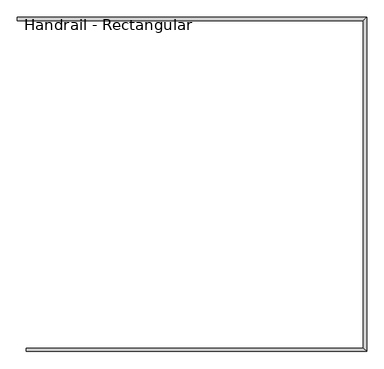
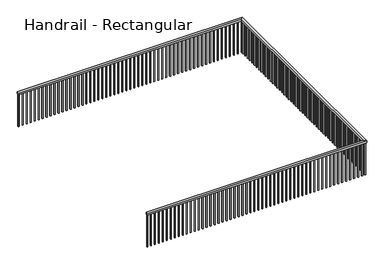
"""IFC4 building model written with IfcOpenShell, lengths in millimetres: railing geometry, Handrail - Rectangular."""

from ifc_helpers import new_model, si_unit, frame, origin, place, context, project, spatial, polyline, outline, extrude, faceted_brep, source, transform, mapped, element, save


def handrail_rectangular_2f56e23b(model_context):
    return source(origin(), model_context, "Body", "SolidModel", [
        faceted_brep([(-2284.5198603, -9771.9743774, 3911.6), (-2284.5198603, -9721.1743774, 3911.6), (-2284.5198603, -9721.1743774, 3860.8), (-2284.5198603, -9771.9743774, 3860.8), (3303.930334, -9771.9743774, 3911.6), (3253.130334, -9721.1743774, 3911.6), (3253.130334, -9721.1743774, 3860.8), (3303.930334, -9771.9743774, 3860.8), (3303.930334, -4281.2498715, 3911.6), (3253.130334, -4332.0498715, 3911.6), (3253.130334, -4332.0498715, 3860.8), (3303.930334, -4281.2498715, 3860.8), (-2427.3948603, -4281.2498715, 3911.6), (-2427.3948603, -4281.2498715, 3860.8), (-2427.3948603, -4332.0498715, 3860.8), (-2427.3948603, -4332.0498715, 3911.6)], [[[0, 1, 2, 3]], [[1, 0, 4, 5]], [[2, 1, 5, 6]], [[3, 2, 6, 7]], [[0, 3, 7, 4]], [[5, 4, 8, 9]], [[6, 5, 9, 10]], [[7, 6, 10, 11]], [[4, 7, 11, 8]], [[12, 13, 14, 15]], [[9, 8, 12, 15]], [[10, 9, 15, 14]], [[11, 10, 14, 13]], [[8, 11, 13, 12]]]),
        extrude(outline(polyline([(-2401.544666, -4297.1248715), (-2401.544666, -4316.1748715), (-2420.594666, -4316.1748715), (-2420.594666, -4297.1248715), (-2401.544666, -4297.1248715)])), frame((0.0, 0.0, 2997.2), z_axis=(0.0, 0.0, 1.0), x_axis=(1.0, 0.0, 0.0)), (0.0, 0.0, 1.0), 863.6),
        extrude(outline(polyline([(-2299.944666, -4297.1248715), (-2299.944666, -4316.1748715), (-2318.994666, -4316.1748715), (-2318.994666, -4297.1248715), (-2299.944666, -4297.1248715)])), frame((0.0, 0.0, 2997.2), z_axis=(0.0, 0.0, 1.0), x_axis=(1.0, 0.0, 0.0)), (0.0, 0.0, 1.0), 863.6),
        extrude(outline(polyline([(-2198.344666, -4297.1248715), (-2198.344666, -4316.1748715), (-2217.394666, -4316.1748715), (-2217.394666, -4297.1248715), (-2198.344666, -4297.1248715)])), frame((0.0, 0.0, 2997.2), z_axis=(0.0, 0.0, 1.0), x_axis=(1.0, 0.0, 0.0)), (0.0, 0.0, 1.0), 863.6),
        extrude(outline(polyline([(-2096.744666, -4297.1248715), (-2096.744666, -4316.1748715), (-2115.794666, -4316.1748715), (-2115.794666, -4297.1248715), (-2096.744666, -4297.1248715)])), frame((0.0, 0.0, 2997.2), z_axis=(0.0, 0.0, 1.0), x_axis=(1.0, 0.0, 0.0)), (0.0, 0.0, 1.0), 863.6),
        extrude(outline(polyline([(-1995.144666, -4297.1248715), (-1995.144666, -4316.1748715), (-2014.194666, -4316.1748715), (-2014.194666, -4297.1248715), (-1995.144666, -4297.1248715)])), frame((0.0, 0.0, 2997.2), z_axis=(0.0, 0.0, 1.0), x_axis=(1.0, 0.0, 0.0)), (0.0, 0.0, 1.0), 863.6),
        extrude(outline(polyline([(-1893.544666, -4297.1248715), (-1893.544666, -4316.1748715), (-1912.594666, -4316.1748715), (-1912.594666, -4297.1248715), (-1893.544666, -4297.1248715)])), frame((0.0, 0.0, 2997.2), z_axis=(0.0, 0.0, 1.0), x_axis=(1.0, 0.0, 0.0)), (0.0, 0.0, 1.0), 863.6),
        extrude(outline(polyline([(-1791.944666, -4297.1248715), (-1791.944666, -4316.1748715), (-1810.994666, -4316.1748715), (-1810.994666, -4297.1248715), (-1791.944666, -4297.1248715)])), frame((0.0, 0.0, 2997.2), z_axis=(0.0, 0.0, 1.0), x_axis=(1.0, 0.0, 0.0)), (0.0, 0.0, 1.0), 863.6),
        extrude(outline(polyline([(-1690.344666, -4297.1248715), (-1690.344666, -4316.1748715), (-1709.394666, -4316.1748715), (-1709.394666, -4297.1248715), (-1690.344666, -4297.1248715)])), frame((0.0, 0.0, 2997.2), z_axis=(0.0, 0.0, 1.0), x_axis=(1.0, 0.0, 0.0)), (0.0, 0.0, 1.0), 863.6),
        extrude(outline(polyline([(-1588.744666, -4297.1248715), (-1588.744666, -4316.1748715), (-1607.794666, -4316.1748715), (-1607.794666, -4297.1248715), (-1588.744666, -4297.1248715)])), frame((0.0, 0.0, 2997.2), z_axis=(0.0, 0.0, 1.0), x_axis=(1.0, 0.0, 0.0)), (0.0, 0.0, 1.0), 863.6),
        extrude(outline(polyline([(-1487.144666, -4297.1248715), (-1487.144666, -4316.1748715), (-1506.194666, -4316.1748715), (-1506.194666, -4297.1248715), (-1487.144666, -4297.1248715)])), frame((0.0, 0.0, 2997.2), z_axis=(0.0, 0.0, 1.0), x_axis=(1.0, 0.0, 0.0)), (0.0, 0.0, 1.0), 863.6),
        extrude(outline(polyline([(-1385.544666, -4297.1248715), (-1385.544666, -4316.1748715), (-1404.594666, -4316.1748715), (-1404.594666, -4297.1248715), (-1385.544666, -4297.1248715)])), frame((0.0, 0.0, 2997.2), z_axis=(0.0, 0.0, 1.0), x_axis=(1.0, 0.0, 0.0)), (0.0, 0.0, 1.0), 863.6),
        extrude(outline(polyline([(-1283.944666, -4297.1248715), (-1283.944666, -4316.1748715), (-1302.994666, -4316.1748715), (-1302.994666, -4297.1248715), (-1283.944666, -4297.1248715)])), frame((0.0, 0.0, 2997.2), z_axis=(0.0, 0.0, 1.0), x_axis=(1.0, 0.0, 0.0)), (0.0, 0.0, 1.0), 863.6),
        extrude(outline(polyline([(-1182.344666, -4297.1248715), (-1182.344666, -4316.1748715), (-1201.394666, -4316.1748715), (-1201.394666, -4297.1248715), (-1182.344666, -4297.1248715)])), frame((0.0, 0.0, 2997.2), z_axis=(0.0, 0.0, 1.0), x_axis=(1.0, 0.0, 0.0)), (0.0, 0.0, 1.0), 863.6),
        extrude(outline(polyline([(-1080.744666, -4297.1248715), (-1080.744666, -4316.1748715), (-1099.794666, -4316.1748715), (-1099.794666, -4297.1248715), (-1080.744666, -4297.1248715)])), frame((0.0, 0.0, 2997.2), z_axis=(0.0, 0.0, 1.0), x_axis=(1.0, 0.0, 0.0)), (0.0, 0.0, 1.0), 863.6),
        extrude(outline(polyline([(-979.144666, -4297.1248715), (-979.144666, -4316.1748715), (-998.194666, -4316.1748715), (-998.194666, -4297.1248715), (-979.144666, -4297.1248715)])), frame((0.0, 0.0, 2997.2), z_axis=(0.0, 0.0, 1.0), x_axis=(1.0, 0.0, 0.0)), (0.0, 0.0, 1.0), 863.6),
        extrude(outline(polyline([(-877.544666, -4297.1248715), (-877.544666, -4316.1748715), (-896.594666, -4316.1748715), (-896.594666, -4297.1248715), (-877.544666, -4297.1248715)])), frame((0.0, 0.0, 2997.2), z_axis=(0.0, 0.0, 1.0), x_axis=(1.0, 0.0, 0.0)), (0.0, 0.0, 1.0), 863.6),
        extrude(outline(polyline([(-775.944666, -4297.1248715), (-775.944666, -4316.1748715), (-794.994666, -4316.1748715), (-794.994666, -4297.1248715), (-775.944666, -4297.1248715)])), frame((0.0, 0.0, 2997.2), z_axis=(0.0, 0.0, 1.0), x_axis=(1.0, 0.0, 0.0)), (0.0, 0.0, 1.0), 863.6),
        extrude(outline(polyline([(-674.344666, -4297.1248715), (-674.344666, -4316.1748715), (-693.394666, -4316.1748715), (-693.394666, -4297.1248715), (-674.344666, -4297.1248715)])), frame((0.0, 0.0, 2997.2), z_axis=(0.0, 0.0, 1.0), x_axis=(1.0, 0.0, 0.0)), (0.0, 0.0, 1.0), 863.6),
        extrude(outline(polyline([(-572.744666, -4297.1248715), (-572.744666, -4316.1748715), (-591.794666, -4316.1748715), (-591.794666, -4297.1248715), (-572.744666, -4297.1248715)])), frame((0.0, 0.0, 2997.2), z_axis=(0.0, 0.0, 1.0), x_axis=(1.0, 0.0, 0.0)), (0.0, 0.0, 1.0), 863.6),
        extrude(outline(polyline([(-471.144666, -4297.1248715), (-471.144666, -4316.1748715), (-490.194666, -4316.1748715), (-490.194666, -4297.1248715), (-471.144666, -4297.1248715)])), frame((0.0, 0.0, 2997.2), z_axis=(0.0, 0.0, 1.0), x_axis=(1.0, 0.0, 0.0)), (0.0, 0.0, 1.0), 863.6),
        extrude(outline(polyline([(-369.544666, -4297.1248715), (-369.544666, -4316.1748715), (-388.594666, -4316.1748715), (-388.594666, -4297.1248715), (-369.544666, -4297.1248715)])), frame((0.0, 0.0, 2997.2), z_axis=(0.0, 0.0, 1.0), x_axis=(1.0, 0.0, 0.0)), (0.0, 0.0, 1.0), 863.6),
        extrude(outline(polyline([(-267.944666, -4297.1248715), (-267.944666, -4316.1748715), (-286.994666, -4316.1748715), (-286.994666, -4297.1248715), (-267.944666, -4297.1248715)])), frame((0.0, 0.0, 2997.2), z_axis=(0.0, 0.0, 1.0), x_axis=(1.0, 0.0, 0.0)), (0.0, 0.0, 1.0), 863.6),
        extrude(outline(polyline([(-166.344666, -4297.1248715), (-166.344666, -4316.1748715), (-185.394666, -4316.1748715), (-185.394666, -4297.1248715), (-166.344666, -4297.1248715)])), frame((0.0, 0.0, 2997.2), z_axis=(0.0, 0.0, 1.0), x_axis=(1.0, 0.0, 0.0)), (0.0, 0.0, 1.0), 863.6),
        extrude(outline(polyline([(-64.744666, -4297.1248715), (-64.744666, -4316.1748715), (-83.794666, -4316.1748715), (-83.794666, -4297.1248715), (-64.744666, -4297.1248715)])), frame((0.0, 0.0, 2997.2), z_axis=(0.0, 0.0, 1.0), x_axis=(1.0, 0.0, 0.0)), (0.0, 0.0, 1.0), 863.6),
        extrude(outline(polyline([(36.855334, -4297.1248715), (36.855334, -4316.1748715), (17.805334, -4316.1748715), (17.805334, -4297.1248715), (36.855334, -4297.1248715)])), frame((0.0, 0.0, 2997.2), z_axis=(0.0, 0.0, 1.0), x_axis=(1.0, 0.0, 0.0)), (0.0, 0.0, 1.0), 863.6),
        extrude(outline(polyline([(138.455334, -4297.1248715), (138.455334, -4316.1748715), (119.405334, -4316.1748715), (119.405334, -4297.1248715), (138.455334, -4297.1248715)])), frame((0.0, 0.0, 2997.2), z_axis=(0.0, 0.0, 1.0), x_axis=(1.0, 0.0, 0.0)), (0.0, 0.0, 1.0), 863.6),
        extrude(outline(polyline([(240.055334, -4297.1248715), (240.055334, -4316.1748715), (221.005334, -4316.1748715), (221.005334, -4297.1248715), (240.055334, -4297.1248715)])), frame((0.0, 0.0, 2997.2), z_axis=(0.0, 0.0, 1.0), x_axis=(1.0, 0.0, 0.0)), (0.0, 0.0, 1.0), 863.6),
        extrude(outline(polyline([(341.655334, -4297.1248715), (341.655334, -4316.1748715), (322.605334, -4316.1748715), (322.605334, -4297.1248715), (341.655334, -4297.1248715)])), frame((0.0, 0.0, 2997.2), z_axis=(0.0, 0.0, 1.0), x_axis=(1.0, 0.0, 0.0)), (0.0, 0.0, 1.0), 863.6),
        extrude(outline(polyline([(443.255334, -4297.1248715), (443.255334, -4316.1748715), (424.205334, -4316.1748715), (424.205334, -4297.1248715), (443.255334, -4297.1248715)])), frame((0.0, 0.0, 2997.2), z_axis=(0.0, 0.0, 1.0), x_axis=(1.0, 0.0, 0.0)), (0.0, 0.0, 1.0), 863.6),
        extrude(outline(polyline([(544.855334, -4297.1248715), (544.855334, -4316.1748715), (525.805334, -4316.1748715), (525.805334, -4297.1248715), (544.855334, -4297.1248715)])), frame((0.0, 0.0, 2997.2), z_axis=(0.0, 0.0, 1.0), x_axis=(1.0, 0.0, 0.0)), (0.0, 0.0, 1.0), 863.6),
        extrude(outline(polyline([(646.455334, -4297.1248715), (646.455334, -4316.1748715), (627.405334, -4316.1748715), (627.405334, -4297.1248715), (646.455334, -4297.1248715)])), frame((0.0, 0.0, 2997.2), z_axis=(0.0, 0.0, 1.0), x_axis=(1.0, 0.0, 0.0)), (0.0, 0.0, 1.0), 863.6),
        extrude(outline(polyline([(748.055334, -4297.1248715), (748.055334, -4316.1748715), (729.005334, -4316.1748715), (729.005334, -4297.1248715), (748.055334, -4297.1248715)])), frame((0.0, 0.0, 2997.2), z_axis=(0.0, 0.0, 1.0), x_axis=(1.0, 0.0, 0.0)), (0.0, 0.0, 1.0), 863.6),
        extrude(outline(polyline([(849.655334, -4297.1248715), (849.655334, -4316.1748715), (830.605334, -4316.1748715), (830.605334, -4297.1248715), (849.655334, -4297.1248715)])), frame((0.0, 0.0, 2997.2), z_axis=(0.0, 0.0, 1.0), x_axis=(1.0, 0.0, 0.0)), (0.0, 0.0, 1.0), 863.6),
        extrude(outline(polyline([(951.255334, -4297.1248715), (951.255334, -4316.1748715), (932.205334, -4316.1748715), (932.205334, -4297.1248715), (951.255334, -4297.1248715)])), frame((0.0, 0.0, 2997.2), z_axis=(0.0, 0.0, 1.0), x_axis=(1.0, 0.0, 0.0)), (0.0, 0.0, 1.0), 863.6),
        extrude(outline(polyline([(1052.855334, -4297.1248715), (1052.855334, -4316.1748715), (1033.805334, -4316.1748715), (1033.805334, -4297.1248715), (1052.855334, -4297.1248715)])), frame((0.0, 0.0, 2997.2), z_axis=(0.0, 0.0, 1.0), x_axis=(1.0, 0.0, 0.0)), (0.0, 0.0, 1.0), 863.6),
        extrude(outline(polyline([(1154.455334, -4297.1248715), (1154.455334, -4316.1748715), (1135.405334, -4316.1748715), (1135.405334, -4297.1248715), (1154.455334, -4297.1248715)])), frame((0.0, 0.0, 2997.2), z_axis=(0.0, 0.0, 1.0), x_axis=(1.0, 0.0, 0.0)), (0.0, 0.0, 1.0), 863.6),
        extrude(outline(polyline([(1256.055334, -4297.1248715), (1256.055334, -4316.1748715), (1237.005334, -4316.1748715), (1237.005334, -4297.1248715), (1256.055334, -4297.1248715)])), frame((0.0, 0.0, 2997.2), z_axis=(0.0, 0.0, 1.0), x_axis=(1.0, 0.0, 0.0)), (0.0, 0.0, 1.0), 863.6),
        extrude(outline(polyline([(1357.655334, -4297.1248715), (1357.655334, -4316.1748715), (1338.605334, -4316.1748715), (1338.605334, -4297.1248715), (1357.655334, -4297.1248715)])), frame((0.0, 0.0, 2997.2), z_axis=(0.0, 0.0, 1.0), x_axis=(1.0, 0.0, 0.0)), (0.0, 0.0, 1.0), 863.6),
        extrude(outline(polyline([(1459.255334, -4297.1248715), (1459.255334, -4316.1748715), (1440.205334, -4316.1748715), (1440.205334, -4297.1248715), (1459.255334, -4297.1248715)])), frame((0.0, 0.0, 2997.2), z_axis=(0.0, 0.0, 1.0), x_axis=(1.0, 0.0, 0.0)), (0.0, 0.0, 1.0), 863.6),
        extrude(outline(polyline([(1560.855334, -4297.1248715), (1560.855334, -4316.1748715), (1541.805334, -4316.1748715), (1541.805334, -4297.1248715), (1560.855334, -4297.1248715)])), frame((0.0, 0.0, 2997.2), z_axis=(0.0, 0.0, 1.0), x_axis=(1.0, 0.0, 0.0)), (0.0, 0.0, 1.0), 863.6),
        extrude(outline(polyline([(1662.455334, -4297.1248715), (1662.455334, -4316.1748715), (1643.405334, -4316.1748715), (1643.405334, -4297.1248715), (1662.455334, -4297.1248715)])), frame((0.0, 0.0, 2997.2), z_axis=(0.0, 0.0, 1.0), x_axis=(1.0, 0.0, 0.0)), (0.0, 0.0, 1.0), 863.6),
        extrude(outline(polyline([(1764.055334, -4297.1248715), (1764.055334, -4316.1748715), (1745.005334, -4316.1748715), (1745.005334, -4297.1248715), (1764.055334, -4297.1248715)])), frame((0.0, 0.0, 2997.2), z_axis=(0.0, 0.0, 1.0), x_axis=(1.0, 0.0, 0.0)), (0.0, 0.0, 1.0), 863.6),
        extrude(outline(polyline([(1865.655334, -4297.1248715), (1865.655334, -4316.1748715), (1846.605334, -4316.1748715), (1846.605334, -4297.1248715), (1865.655334, -4297.1248715)])), frame((0.0, 0.0, 2997.2), z_axis=(0.0, 0.0, 1.0), x_axis=(1.0, 0.0, 0.0)), (0.0, 0.0, 1.0), 863.6),
        extrude(outline(polyline([(1967.255334, -4297.1248715), (1967.255334, -4316.1748715), (1948.205334, -4316.1748715), (1948.205334, -4297.1248715), (1967.255334, -4297.1248715)])), frame((0.0, 0.0, 2997.2), z_axis=(0.0, 0.0, 1.0), x_axis=(1.0, 0.0, 0.0)), (0.0, 0.0, 1.0), 863.6),
        extrude(outline(polyline([(2068.855334, -4297.1248715), (2068.855334, -4316.1748715), (2049.805334, -4316.1748715), (2049.805334, -4297.1248715), (2068.855334, -4297.1248715)])), frame((0.0, 0.0, 2997.2), z_axis=(0.0, 0.0, 1.0), x_axis=(1.0, 0.0, 0.0)), (0.0, 0.0, 1.0), 863.6),
        extrude(outline(polyline([(2170.455334, -4297.1248715), (2170.455334, -4316.1748715), (2151.405334, -4316.1748715), (2151.405334, -4297.1248715), (2170.455334, -4297.1248715)])), frame((0.0, 0.0, 2997.2), z_axis=(0.0, 0.0, 1.0), x_axis=(1.0, 0.0, 0.0)), (0.0, 0.0, 1.0), 863.6),
        extrude(outline(polyline([(2272.055334, -4297.1248715), (2272.055334, -4316.1748715), (2253.005334, -4316.1748715), (2253.005334, -4297.1248715), (2272.055334, -4297.1248715)])), frame((0.0, 0.0, 2997.2), z_axis=(0.0, 0.0, 1.0), x_axis=(1.0, 0.0, 0.0)), (0.0, 0.0, 1.0), 863.6),
        extrude(outline(polyline([(2373.655334, -4297.1248715), (2373.655334, -4316.1748715), (2354.605334, -4316.1748715), (2354.605334, -4297.1248715), (2373.655334, -4297.1248715)])), frame((0.0, 0.0, 2997.2), z_axis=(0.0, 0.0, 1.0), x_axis=(1.0, 0.0, 0.0)), (0.0, 0.0, 1.0), 863.6),
        extrude(outline(polyline([(2475.255334, -4297.1248715), (2475.255334, -4316.1748715), (2456.205334, -4316.1748715), (2456.205334, -4297.1248715), (2475.255334, -4297.1248715)])), frame((0.0, 0.0, 2997.2), z_axis=(0.0, 0.0, 1.0), x_axis=(1.0, 0.0, 0.0)), (0.0, 0.0, 1.0), 863.6),
        extrude(outline(polyline([(2576.855334, -4297.1248715), (2576.855334, -4316.1748715), (2557.805334, -4316.1748715), (2557.805334, -4297.1248715), (2576.855334, -4297.1248715)])), frame((0.0, 0.0, 2997.2), z_axis=(0.0, 0.0, 1.0), x_axis=(1.0, 0.0, 0.0)), (0.0, 0.0, 1.0), 863.6),
        extrude(outline(polyline([(2678.455334, -4297.1248715), (2678.455334, -4316.1748715), (2659.405334, -4316.1748715), (2659.405334, -4297.1248715), (2678.455334, -4297.1248715)])), frame((0.0, 0.0, 2997.2), z_axis=(0.0, 0.0, 1.0), x_axis=(1.0, 0.0, 0.0)), (0.0, 0.0, 1.0), 863.6),
        extrude(outline(polyline([(2780.055334, -4297.1248715), (2780.055334, -4316.1748715), (2761.005334, -4316.1748715), (2761.005334, -4297.1248715), (2780.055334, -4297.1248715)])), frame((0.0, 0.0, 2997.2), z_axis=(0.0, 0.0, 1.0), x_axis=(1.0, 0.0, 0.0)), (0.0, 0.0, 1.0), 863.6),
        extrude(outline(polyline([(2881.655334, -4297.1248715), (2881.655334, -4316.1748715), (2862.605334, -4316.1748715), (2862.605334, -4297.1248715), (2881.655334, -4297.1248715)])), frame((0.0, 0.0, 2997.2), z_axis=(0.0, 0.0, 1.0), x_axis=(1.0, 0.0, 0.0)), (0.0, 0.0, 1.0), 863.6),
        extrude(outline(polyline([(2983.255334, -4297.1248715), (2983.255334, -4316.1748715), (2964.205334, -4316.1748715), (2964.205334, -4297.1248715), (2983.255334, -4297.1248715)])), frame((0.0, 0.0, 2997.2), z_axis=(0.0, 0.0, 1.0), x_axis=(1.0, 0.0, 0.0)), (0.0, 0.0, 1.0), 863.6),
        extrude(outline(polyline([(3084.855334, -4297.1248715), (3084.855334, -4316.1748715), (3065.805334, -4316.1748715), (3065.805334, -4297.1248715), (3084.855334, -4297.1248715)])), frame((0.0, 0.0, 2997.2), z_axis=(0.0, 0.0, 1.0), x_axis=(1.0, 0.0, 0.0)), (0.0, 0.0, 1.0), 863.6),
        extrude(outline(polyline([(3186.455334, -4297.1248715), (3186.455334, -4316.1748715), (3167.405334, -4316.1748715), (3167.405334, -4297.1248715), (3186.455334, -4297.1248715)])), frame((0.0, 0.0, 2997.2), z_axis=(0.0, 0.0, 1.0), x_axis=(1.0, 0.0, 0.0)), (0.0, 0.0, 1.0), 863.6),
        extrude(outline(polyline([(3288.055334, -4371.2993774), (3269.005334, -4371.2993774), (3269.005334, -4352.2493774), (3288.055334, -4352.2493774), (3288.055334, -4371.2993774)])), frame((0.0, 0.0, 2997.2), z_axis=(0.0, 0.0, 1.0), x_axis=(1.0, 0.0, 0.0)), (0.0, 0.0, 1.0), 863.6),
        extrude(outline(polyline([(3288.055334, -4472.8993774), (3269.005334, -4472.8993774), (3269.005334, -4453.8493774), (3288.055334, -4453.8493774), (3288.055334, -4472.8993774)])), frame((0.0, 0.0, 2997.2), z_axis=(0.0, 0.0, 1.0), x_axis=(1.0, 0.0, 0.0)), (0.0, 0.0, 1.0), 863.6),
        extrude(outline(polyline([(3288.055334, -4574.4993774), (3269.005334, -4574.4993774), (3269.005334, -4555.4493774), (3288.055334, -4555.4493774), (3288.055334, -4574.4993774)])), frame((0.0, 0.0, 2997.2), z_axis=(0.0, 0.0, 1.0), x_axis=(1.0, 0.0, 0.0)), (0.0, 0.0, 1.0), 863.6),
        extrude(outline(polyline([(3288.055334, -4676.0993774), (3269.005334, -4676.0993774), (3269.005334, -4657.0493774), (3288.055334, -4657.0493774), (3288.055334, -4676.0993774)])), frame((0.0, 0.0, 2997.2), z_axis=(0.0, 0.0, 1.0), x_axis=(1.0, 0.0, 0.0)), (0.0, 0.0, 1.0), 863.6),
        extrude(outline(polyline([(3288.055334, -4777.6993774), (3269.005334, -4777.6993774), (3269.005334, -4758.6493774), (3288.055334, -4758.6493774), (3288.055334, -4777.6993774)])), frame((0.0, 0.0, 2997.2), z_axis=(0.0, 0.0, 1.0), x_axis=(1.0, 0.0, 0.0)), (0.0, 0.0, 1.0), 863.6),
        extrude(outline(polyline([(3288.055334, -4879.2993774), (3269.005334, -4879.2993774), (3269.005334, -4860.2493774), (3288.055334, -4860.2493774), (3288.055334, -4879.2993774)])), frame((0.0, 0.0, 2997.2), z_axis=(0.0, 0.0, 1.0), x_axis=(1.0, 0.0, 0.0)), (0.0, 0.0, 1.0), 863.6),
        extrude(outline(polyline([(3288.055334, -4980.8993774), (3269.005334, -4980.8993774), (3269.005334, -4961.8493774), (3288.055334, -4961.8493774), (3288.055334, -4980.8993774)])), frame((0.0, 0.0, 2997.2), z_axis=(0.0, 0.0, 1.0), x_axis=(1.0, 0.0, 0.0)), (0.0, 0.0, 1.0), 863.6),
        extrude(outline(polyline([(3288.055334, -5082.4993774), (3269.005334, -5082.4993774), (3269.005334, -5063.4493774), (3288.055334, -5063.4493774), (3288.055334, -5082.4993774)])), frame((0.0, 0.0, 2997.2), z_axis=(0.0, 0.0, 1.0), x_axis=(1.0, 0.0, 0.0)), (0.0, 0.0, 1.0), 863.6),
        extrude(outline(polyline([(3288.055334, -5184.0993774), (3269.005334, -5184.0993774), (3269.005334, -5165.0493774), (3288.055334, -5165.0493774), (3288.055334, -5184.0993774)])), frame((0.0, 0.0, 2997.2), z_axis=(0.0, 0.0, 1.0), x_axis=(1.0, 0.0, 0.0)), (0.0, 0.0, 1.0), 863.6),
        extrude(outline(polyline([(3288.055334, -5285.6993774), (3269.005334, -5285.6993774), (3269.005334, -5266.6493774), (3288.055334, -5266.6493774), (3288.055334, -5285.6993774)])), frame((0.0, 0.0, 2997.2), z_axis=(0.0, 0.0, 1.0), x_axis=(1.0, 0.0, 0.0)), (0.0, 0.0, 1.0), 863.6),
        extrude(outline(polyline([(3288.055334, -5387.2993774), (3269.005334, -5387.2993774), (3269.005334, -5368.2493774), (3288.055334, -5368.2493774), (3288.055334, -5387.2993774)])), frame((0.0, 0.0, 2997.2), z_axis=(0.0, 0.0, 1.0), x_axis=(1.0, 0.0, 0.0)), (0.0, 0.0, 1.0), 863.6),
        extrude(outline(polyline([(3288.055334, -5488.8993774), (3269.005334, -5488.8993774), (3269.005334, -5469.8493774), (3288.055334, -5469.8493774), (3288.055334, -5488.8993774)])), frame((0.0, 0.0, 2997.2), z_axis=(0.0, 0.0, 1.0), x_axis=(1.0, 0.0, 0.0)), (0.0, 0.0, 1.0), 863.6),
        extrude(outline(polyline([(3288.055334, -5590.4993774), (3269.005334, -5590.4993774), (3269.005334, -5571.4493774), (3288.055334, -5571.4493774), (3288.055334, -5590.4993774)])), frame((0.0, 0.0, 2997.2), z_axis=(0.0, 0.0, 1.0), x_axis=(1.0, 0.0, 0.0)), (0.0, 0.0, 1.0), 863.6),
        extrude(outline(polyline([(3288.055334, -5692.0993774), (3269.005334, -5692.0993774), (3269.005334, -5673.0493774), (3288.055334, -5673.0493774), (3288.055334, -5692.0993774)])), frame((0.0, 0.0, 2997.2), z_axis=(0.0, 0.0, 1.0), x_axis=(1.0, 0.0, 0.0)), (0.0, 0.0, 1.0), 863.6),
        extrude(outline(polyline([(3288.055334, -5793.6993774), (3269.005334, -5793.6993774), (3269.005334, -5774.6493774), (3288.055334, -5774.6493774), (3288.055334, -5793.6993774)])), frame((0.0, 0.0, 2997.2), z_axis=(0.0, 0.0, 1.0), x_axis=(1.0, 0.0, 0.0)), (0.0, 0.0, 1.0), 863.6),
        extrude(outline(polyline([(3288.055334, -5895.2993774), (3269.005334, -5895.2993774), (3269.005334, -5876.2493774), (3288.055334, -5876.2493774), (3288.055334, -5895.2993774)])), frame((0.0, 0.0, 2997.2), z_axis=(0.0, 0.0, 1.0), x_axis=(1.0, 0.0, 0.0)), (0.0, 0.0, 1.0), 863.6),
        extrude(outline(polyline([(3288.055334, -5996.8993774), (3269.005334, -5996.8993774), (3269.005334, -5977.8493774), (3288.055334, -5977.8493774), (3288.055334, -5996.8993774)])), frame((0.0, 0.0, 2997.2), z_axis=(0.0, 0.0, 1.0), x_axis=(1.0, 0.0, 0.0)), (0.0, 0.0, 1.0), 863.6),
        extrude(outline(polyline([(3288.055334, -6098.4993774), (3269.005334, -6098.4993774), (3269.005334, -6079.4493774), (3288.055334, -6079.4493774), (3288.055334, -6098.4993774)])), frame((0.0, 0.0, 2997.2), z_axis=(0.0, 0.0, 1.0), x_axis=(1.0, 0.0, 0.0)), (0.0, 0.0, 1.0), 863.6),
        extrude(outline(polyline([(3288.055334, -6200.0993774), (3269.005334, -6200.0993774), (3269.005334, -6181.0493774), (3288.055334, -6181.0493774), (3288.055334, -6200.0993774)])), frame((0.0, 0.0, 2997.2), z_axis=(0.0, 0.0, 1.0), x_axis=(1.0, 0.0, 0.0)), (0.0, 0.0, 1.0), 863.6),
        extrude(outline(polyline([(3288.055334, -6301.6993774), (3269.005334, -6301.6993774), (3269.005334, -6282.6493774), (3288.055334, -6282.6493774), (3288.055334, -6301.6993774)])), frame((0.0, 0.0, 2997.2), z_axis=(0.0, 0.0, 1.0), x_axis=(1.0, 0.0, 0.0)), (0.0, 0.0, 1.0), 863.6),
        extrude(outline(polyline([(3288.055334, -6403.2993774), (3269.005334, -6403.2993774), (3269.005334, -6384.2493774), (3288.055334, -6384.2493774), (3288.055334, -6403.2993774)])), frame((0.0, 0.0, 2997.2), z_axis=(0.0, 0.0, 1.0), x_axis=(1.0, 0.0, 0.0)), (0.0, 0.0, 1.0), 863.6),
        extrude(outline(polyline([(3288.055334, -6504.8993774), (3269.005334, -6504.8993774), (3269.005334, -6485.8493774), (3288.055334, -6485.8493774), (3288.055334, -6504.8993774)])), frame((0.0, 0.0, 2997.2), z_axis=(0.0, 0.0, 1.0), x_axis=(1.0, 0.0, 0.0)), (0.0, 0.0, 1.0), 863.6),
        extrude(outline(polyline([(3288.055334, -6606.4993774), (3269.005334, -6606.4993774), (3269.005334, -6587.4493774), (3288.055334, -6587.4493774), (3288.055334, -6606.4993774)])), frame((0.0, 0.0, 2997.2), z_axis=(0.0, 0.0, 1.0), x_axis=(1.0, 0.0, 0.0)), (0.0, 0.0, 1.0), 863.6),
        extrude(outline(polyline([(3288.055334, -6708.0993774), (3269.005334, -6708.0993774), (3269.005334, -6689.0493774), (3288.055334, -6689.0493774), (3288.055334, -6708.0993774)])), frame((0.0, 0.0, 2997.2), z_axis=(0.0, 0.0, 1.0), x_axis=(1.0, 0.0, 0.0)), (0.0, 0.0, 1.0), 863.6),
        extrude(outline(polyline([(3288.055334, -6809.6993774), (3269.005334, -6809.6993774), (3269.005334, -6790.6493774), (3288.055334, -6790.6493774), (3288.055334, -6809.6993774)])), frame((0.0, 0.0, 2997.2), z_axis=(0.0, 0.0, 1.0), x_axis=(1.0, 0.0, 0.0)), (0.0, 0.0, 1.0), 863.6),
        extrude(outline(polyline([(3288.055334, -6911.2993774), (3269.005334, -6911.2993774), (3269.005334, -6892.2493774), (3288.055334, -6892.2493774), (3288.055334, -6911.2993774)])), frame((0.0, 0.0, 2997.2), z_axis=(0.0, 0.0, 1.0), x_axis=(1.0, 0.0, 0.0)), (0.0, 0.0, 1.0), 863.6),
        extrude(outline(polyline([(3288.055334, -7012.8993774), (3269.005334, -7012.8993774), (3269.005334, -6993.8493774), (3288.055334, -6993.8493774), (3288.055334, -7012.8993774)])), frame((0.0, 0.0, 2997.2), z_axis=(0.0, 0.0, 1.0), x_axis=(1.0, 0.0, 0.0)), (0.0, 0.0, 1.0), 863.6),
        extrude(outline(polyline([(3288.055334, -7114.4993774), (3269.005334, -7114.4993774), (3269.005334, -7095.4493774), (3288.055334, -7095.4493774), (3288.055334, -7114.4993774)])), frame((0.0, 0.0, 2997.2), z_axis=(0.0, 0.0, 1.0), x_axis=(1.0, 0.0, 0.0)), (0.0, 0.0, 1.0), 863.6),
        extrude(outline(polyline([(3288.055334, -7216.0993774), (3269.005334, -7216.0993774), (3269.005334, -7197.0493774), (3288.055334, -7197.0493774), (3288.055334, -7216.0993774)])), frame((0.0, 0.0, 2997.2), z_axis=(0.0, 0.0, 1.0), x_axis=(1.0, 0.0, 0.0)), (0.0, 0.0, 1.0), 863.6),
        extrude(outline(polyline([(3288.055334, -7317.6993774), (3269.005334, -7317.6993774), (3269.005334, -7298.6493774), (3288.055334, -7298.6493774), (3288.055334, -7317.6993774)])), frame((0.0, 0.0, 2997.2), z_axis=(0.0, 0.0, 1.0), x_axis=(1.0, 0.0, 0.0)), (0.0, 0.0, 1.0), 863.6),
        extrude(outline(polyline([(3288.055334, -7419.2993774), (3269.005334, -7419.2993774), (3269.005334, -7400.2493774), (3288.055334, -7400.2493774), (3288.055334, -7419.2993774)])), frame((0.0, 0.0, 2997.2), z_axis=(0.0, 0.0, 1.0), x_axis=(1.0, 0.0, 0.0)), (0.0, 0.0, 1.0), 863.6),
        extrude(outline(polyline([(3288.055334, -7520.8993774), (3269.005334, -7520.8993774), (3269.005334, -7501.8493774), (3288.055334, -7501.8493774), (3288.055334, -7520.8993774)])), frame((0.0, 0.0, 2997.2), z_axis=(0.0, 0.0, 1.0), x_axis=(1.0, 0.0, 0.0)), (0.0, 0.0, 1.0), 863.6),
        extrude(outline(polyline([(3288.055334, -7622.4993774), (3269.005334, -7622.4993774), (3269.005334, -7603.4493774), (3288.055334, -7603.4493774), (3288.055334, -7622.4993774)])), frame((0.0, 0.0, 2997.2), z_axis=(0.0, 0.0, 1.0), x_axis=(1.0, 0.0, 0.0)), (0.0, 0.0, 1.0), 863.6),
        extrude(outline(polyline([(3288.055334, -7724.0993774), (3269.005334, -7724.0993774), (3269.005334, -7705.0493774), (3288.055334, -7705.0493774), (3288.055334, -7724.0993774)])), frame((0.0, 0.0, 2997.2), z_axis=(0.0, 0.0, 1.0), x_axis=(1.0, 0.0, 0.0)), (0.0, 0.0, 1.0), 863.6),
        extrude(outline(polyline([(3288.055334, -7825.6993774), (3269.005334, -7825.6993774), (3269.005334, -7806.6493774), (3288.055334, -7806.6493774), (3288.055334, -7825.6993774)])), frame((0.0, 0.0, 2997.2), z_axis=(0.0, 0.0, 1.0), x_axis=(1.0, 0.0, 0.0)), (0.0, 0.0, 1.0), 863.6),
        extrude(outline(polyline([(3288.055334, -7927.2993774), (3269.005334, -7927.2993774), (3269.005334, -7908.2493774), (3288.055334, -7908.2493774), (3288.055334, -7927.2993774)])), frame((0.0, 0.0, 2997.2), z_axis=(0.0, 0.0, 1.0), x_axis=(1.0, 0.0, 0.0)), (0.0, 0.0, 1.0), 863.6),
        extrude(outline(polyline([(3288.055334, -8028.8993774), (3269.005334, -8028.8993774), (3269.005334, -8009.8493774), (3288.055334, -8009.8493774), (3288.055334, -8028.8993774)])), frame((0.0, 0.0, 2997.2), z_axis=(0.0, 0.0, 1.0), x_axis=(1.0, 0.0, 0.0)), (0.0, 0.0, 1.0), 863.6),
        extrude(outline(polyline([(3288.055334, -8130.4993774), (3269.005334, -8130.4993774), (3269.005334, -8111.4493774), (3288.055334, -8111.4493774), (3288.055334, -8130.4993774)])), frame((0.0, 0.0, 2997.2), z_axis=(0.0, 0.0, 1.0), x_axis=(1.0, 0.0, 0.0)), (0.0, 0.0, 1.0), 863.6),
        extrude(outline(polyline([(3288.055334, -8232.0993774), (3269.005334, -8232.0993774), (3269.005334, -8213.0493774), (3288.055334, -8213.0493774), (3288.055334, -8232.0993774)])), frame((0.0, 0.0, 2997.2), z_axis=(0.0, 0.0, 1.0), x_axis=(1.0, 0.0, 0.0)), (0.0, 0.0, 1.0), 863.6),
        extrude(outline(polyline([(3288.055334, -8333.6993774), (3269.005334, -8333.6993774), (3269.005334, -8314.6493774), (3288.055334, -8314.6493774), (3288.055334, -8333.6993774)])), frame((0.0, 0.0, 2997.2), z_axis=(0.0, 0.0, 1.0), x_axis=(1.0, 0.0, 0.0)), (0.0, 0.0, 1.0), 863.6),
        extrude(outline(polyline([(3288.055334, -8435.2993774), (3269.005334, -8435.2993774), (3269.005334, -8416.2493774), (3288.055334, -8416.2493774), (3288.055334, -8435.2993774)])), frame((0.0, 0.0, 2997.2), z_axis=(0.0, 0.0, 1.0), x_axis=(1.0, 0.0, 0.0)), (0.0, 0.0, 1.0), 863.6),
        extrude(outline(polyline([(3288.055334, -8536.8993774), (3269.005334, -8536.8993774), (3269.005334, -8517.8493774), (3288.055334, -8517.8493774), (3288.055334, -8536.8993774)])), frame((0.0, 0.0, 2997.2), z_axis=(0.0, 0.0, 1.0), x_axis=(1.0, 0.0, 0.0)), (0.0, 0.0, 1.0), 863.6),
        extrude(outline(polyline([(3288.055334, -8638.4993774), (3269.005334, -8638.4993774), (3269.005334, -8619.4493774), (3288.055334, -8619.4493774), (3288.055334, -8638.4993774)])), frame((0.0, 0.0, 2997.2), z_axis=(0.0, 0.0, 1.0), x_axis=(1.0, 0.0, 0.0)), (0.0, 0.0, 1.0), 863.6),
        extrude(outline(polyline([(3288.055334, -8740.0993774), (3269.005334, -8740.0993774), (3269.005334, -8721.0493774), (3288.055334, -8721.0493774), (3288.055334, -8740.0993774)])), frame((0.0, 0.0, 2997.2), z_axis=(0.0, 0.0, 1.0), x_axis=(1.0, 0.0, 0.0)), (0.0, 0.0, 1.0), 863.6),
        extrude(outline(polyline([(3288.055334, -8841.6993774), (3269.005334, -8841.6993774), (3269.005334, -8822.6493774), (3288.055334, -8822.6493774), (3288.055334, -8841.6993774)])), frame((0.0, 0.0, 2997.2), z_axis=(0.0, 0.0, 1.0), x_axis=(1.0, 0.0, 0.0)), (0.0, 0.0, 1.0), 863.6),
        extrude(outline(polyline([(3288.055334, -8943.2993774), (3269.005334, -8943.2993774), (3269.005334, -8924.2493774), (3288.055334, -8924.2493774), (3288.055334, -8943.2993774)])), frame((0.0, 0.0, 2997.2), z_axis=(0.0, 0.0, 1.0), x_axis=(1.0, 0.0, 0.0)), (0.0, 0.0, 1.0), 863.6),
        extrude(outline(polyline([(3288.055334, -9044.8993774), (3269.005334, -9044.8993774), (3269.005334, -9025.8493774), (3288.055334, -9025.8493774), (3288.055334, -9044.8993774)])), frame((0.0, 0.0, 2997.2), z_axis=(0.0, 0.0, 1.0), x_axis=(1.0, 0.0, 0.0)), (0.0, 0.0, 1.0), 863.6),
        extrude(outline(polyline([(3288.055334, -9146.4993774), (3269.005334, -9146.4993774), (3269.005334, -9127.4493774), (3288.055334, -9127.4493774), (3288.055334, -9146.4993774)])), frame((0.0, 0.0, 2997.2), z_axis=(0.0, 0.0, 1.0), x_axis=(1.0, 0.0, 0.0)), (0.0, 0.0, 1.0), 863.6),
        extrude(outline(polyline([(3288.055334, -9248.0993774), (3269.005334, -9248.0993774), (3269.005334, -9229.0493774), (3288.055334, -9229.0493774), (3288.055334, -9248.0993774)])), frame((0.0, 0.0, 2997.2), z_axis=(0.0, 0.0, 1.0), x_axis=(1.0, 0.0, 0.0)), (0.0, 0.0, 1.0), 863.6),
        extrude(outline(polyline([(3288.055334, -9349.6993774), (3269.005334, -9349.6993774), (3269.005334, -9330.6493774), (3288.055334, -9330.6493774), (3288.055334, -9349.6993774)])), frame((0.0, 0.0, 2997.2), z_axis=(0.0, 0.0, 1.0), x_axis=(1.0, 0.0, 0.0)), (0.0, 0.0, 1.0), 863.6),
        extrude(outline(polyline([(3288.055334, -9451.2993774), (3269.005334, -9451.2993774), (3269.005334, -9432.2493774), (3288.055334, -9432.2493774), (3288.055334, -9451.2993774)])), frame((0.0, 0.0, 2997.2), z_axis=(0.0, 0.0, 1.0), x_axis=(1.0, 0.0, 0.0)), (0.0, 0.0, 1.0), 863.6),
        extrude(outline(polyline([(3288.055334, -9552.8993774), (3269.005334, -9552.8993774), (3269.005334, -9533.8493774), (3288.055334, -9533.8493774), (3288.055334, -9552.8993774)])), frame((0.0, 0.0, 2997.2), z_axis=(0.0, 0.0, 1.0), x_axis=(1.0, 0.0, 0.0)), (0.0, 0.0, 1.0), 863.6),
        extrude(outline(polyline([(3288.055334, -9654.4993774), (3269.005334, -9654.4993774), (3269.005334, -9635.4493774), (3288.055334, -9635.4493774), (3288.055334, -9654.4993774)])), frame((0.0, 0.0, 2997.2), z_axis=(0.0, 0.0, 1.0), x_axis=(1.0, 0.0, 0.0)), (0.0, 0.0, 1.0), 863.6),
        extrude(outline(polyline([(3192.3551397, -9756.0993774), (3192.3551397, -9737.0493774), (3211.4051397, -9737.0493774), (3211.4051397, -9756.0993774), (3192.3551397, -9756.0993774)])), frame((0.0, 0.0, 2997.2), z_axis=(0.0, 0.0, 1.0), x_axis=(1.0, 0.0, 0.0)), (0.0, 0.0, 1.0), 863.6),
        extrude(outline(polyline([(3090.7551397, -9756.0993774), (3090.7551397, -9737.0493774), (3109.8051397, -9737.0493774), (3109.8051397, -9756.0993774), (3090.7551397, -9756.0993774)])), frame((0.0, 0.0, 2997.2), z_axis=(0.0, 0.0, 1.0), x_axis=(1.0, 0.0, 0.0)), (0.0, 0.0, 1.0), 863.6),
        extrude(outline(polyline([(2989.1551397, -9756.0993774), (2989.1551397, -9737.0493774), (3008.2051397, -9737.0493774), (3008.2051397, -9756.0993774), (2989.1551397, -9756.0993774)])), frame((0.0, 0.0, 2997.2), z_axis=(0.0, 0.0, 1.0), x_axis=(1.0, 0.0, 0.0)), (0.0, 0.0, 1.0), 863.6),
        extrude(outline(polyline([(2887.5551397, -9756.0993774), (2887.5551397, -9737.0493774), (2906.6051397, -9737.0493774), (2906.6051397, -9756.0993774), (2887.5551397, -9756.0993774)])), frame((0.0, 0.0, 2997.2), z_axis=(0.0, 0.0, 1.0), x_axis=(1.0, 0.0, 0.0)), (0.0, 0.0, 1.0), 863.6),
        extrude(outline(polyline([(2785.9551397, -9756.0993774), (2785.9551397, -9737.0493774), (2805.0051397, -9737.0493774), (2805.0051397, -9756.0993774), (2785.9551397, -9756.0993774)])), frame((0.0, 0.0, 2997.2), z_axis=(0.0, 0.0, 1.0), x_axis=(1.0, 0.0, 0.0)), (0.0, 0.0, 1.0), 863.6),
        extrude(outline(polyline([(2684.3551397, -9756.0993774), (2684.3551397, -9737.0493774), (2703.4051397, -9737.0493774), (2703.4051397, -9756.0993774), (2684.3551397, -9756.0993774)])), frame((0.0, 0.0, 2997.2), z_axis=(0.0, 0.0, 1.0), x_axis=(1.0, 0.0, 0.0)), (0.0, 0.0, 1.0), 863.6),
        extrude(outline(polyline([(2582.7551397, -9756.0993774), (2582.7551397, -9737.0493774), (2601.8051397, -9737.0493774), (2601.8051397, -9756.0993774), (2582.7551397, -9756.0993774)])), frame((0.0, 0.0, 2997.2), z_axis=(0.0, 0.0, 1.0), x_axis=(1.0, 0.0, 0.0)), (0.0, 0.0, 1.0), 863.6),
        extrude(outline(polyline([(2481.1551397, -9756.0993774), (2481.1551397, -9737.0493774), (2500.2051397, -9737.0493774), (2500.2051397, -9756.0993774), (2481.1551397, -9756.0993774)])), frame((0.0, 0.0, 2997.2), z_axis=(0.0, 0.0, 1.0), x_axis=(1.0, 0.0, 0.0)), (0.0, 0.0, 1.0), 863.6),
        extrude(outline(polyline([(2379.5551397, -9756.0993774), (2379.5551397, -9737.0493774), (2398.6051397, -9737.0493774), (2398.6051397, -9756.0993774), (2379.5551397, -9756.0993774)])), frame((0.0, 0.0, 2997.2), z_axis=(0.0, 0.0, 1.0), x_axis=(1.0, 0.0, 0.0)), (0.0, 0.0, 1.0), 863.6),
        extrude(outline(polyline([(2277.9551397, -9756.0993774), (2277.9551397, -9737.0493774), (2297.0051397, -9737.0493774), (2297.0051397, -9756.0993774), (2277.9551397, -9756.0993774)])), frame((0.0, 0.0, 2997.2), z_axis=(0.0, 0.0, 1.0), x_axis=(1.0, 0.0, 0.0)), (0.0, 0.0, 1.0), 863.6),
        extrude(outline(polyline([(2176.3551397, -9756.0993774), (2176.3551397, -9737.0493774), (2195.4051397, -9737.0493774), (2195.4051397, -9756.0993774), (2176.3551397, -9756.0993774)])), frame((0.0, 0.0, 2997.2), z_axis=(0.0, 0.0, 1.0), x_axis=(1.0, 0.0, 0.0)), (0.0, 0.0, 1.0), 863.6),
        extrude(outline(polyline([(2074.7551397, -9756.0993774), (2074.7551397, -9737.0493774), (2093.8051397, -9737.0493774), (2093.8051397, -9756.0993774), (2074.7551397, -9756.0993774)])), frame((0.0, 0.0, 2997.2), z_axis=(0.0, 0.0, 1.0), x_axis=(1.0, 0.0, 0.0)), (0.0, 0.0, 1.0), 863.6),
        extrude(outline(polyline([(1973.1551397, -9756.0993774), (1973.1551397, -9737.0493774), (1992.2051397, -9737.0493774), (1992.2051397, -9756.0993774), (1973.1551397, -9756.0993774)])), frame((0.0, 0.0, 2997.2), z_axis=(0.0, 0.0, 1.0), x_axis=(1.0, 0.0, 0.0)), (0.0, 0.0, 1.0), 863.6),
        extrude(outline(polyline([(1871.5551397, -9756.0993774), (1871.5551397, -9737.0493774), (1890.6051397, -9737.0493774), (1890.6051397, -9756.0993774), (1871.5551397, -9756.0993774)])), frame((0.0, 0.0, 2997.2), z_axis=(0.0, 0.0, 1.0), x_axis=(1.0, 0.0, 0.0)), (0.0, 0.0, 1.0), 863.6),
        extrude(outline(polyline([(1769.9551397, -9756.0993774), (1769.9551397, -9737.0493774), (1789.0051397, -9737.0493774), (1789.0051397, -9756.0993774), (1769.9551397, -9756.0993774)])), frame((0.0, 0.0, 2997.2), z_axis=(0.0, 0.0, 1.0), x_axis=(1.0, 0.0, 0.0)), (0.0, 0.0, 1.0), 863.6),
        extrude(outline(polyline([(1668.3551397, -9756.0993774), (1668.3551397, -9737.0493774), (1687.4051397, -9737.0493774), (1687.4051397, -9756.0993774), (1668.3551397, -9756.0993774)])), frame((0.0, 0.0, 2997.2), z_axis=(0.0, 0.0, 1.0), x_axis=(1.0, 0.0, 0.0)), (0.0, 0.0, 1.0), 863.6),
        extrude(outline(polyline([(1566.7551397, -9756.0993774), (1566.7551397, -9737.0493774), (1585.8051397, -9737.0493774), (1585.8051397, -9756.0993774), (1566.7551397, -9756.0993774)])), frame((0.0, 0.0, 2997.2), z_axis=(0.0, 0.0, 1.0), x_axis=(1.0, 0.0, 0.0)), (0.0, 0.0, 1.0), 863.6),
        extrude(outline(polyline([(1465.1551397, -9756.0993774), (1465.1551397, -9737.0493774), (1484.2051397, -9737.0493774), (1484.2051397, -9756.0993774), (1465.1551397, -9756.0993774)])), frame((0.0, 0.0, 2997.2), z_axis=(0.0, 0.0, 1.0), x_axis=(1.0, 0.0, 0.0)), (0.0, 0.0, 1.0), 863.6),
        extrude(outline(polyline([(1363.5551397, -9756.0993774), (1363.5551397, -9737.0493774), (1382.6051397, -9737.0493774), (1382.6051397, -9756.0993774), (1363.5551397, -9756.0993774)])), frame((0.0, 0.0, 2997.2), z_axis=(0.0, 0.0, 1.0), x_axis=(1.0, 0.0, 0.0)), (0.0, 0.0, 1.0), 863.6),
        extrude(outline(polyline([(1261.9551397, -9756.0993774), (1261.9551397, -9737.0493774), (1281.0051397, -9737.0493774), (1281.0051397, -9756.0993774), (1261.9551397, -9756.0993774)])), frame((0.0, 0.0, 2997.2), z_axis=(0.0, 0.0, 1.0), x_axis=(1.0, 0.0, 0.0)), (0.0, 0.0, 1.0), 863.6),
        extrude(outline(polyline([(1160.3551397, -9756.0993774), (1160.3551397, -9737.0493774), (1179.4051397, -9737.0493774), (1179.4051397, -9756.0993774), (1160.3551397, -9756.0993774)])), frame((0.0, 0.0, 2997.2), z_axis=(0.0, 0.0, 1.0), x_axis=(1.0, 0.0, 0.0)), (0.0, 0.0, 1.0), 863.6),
        extrude(outline(polyline([(1058.7551397, -9756.0993774), (1058.7551397, -9737.0493774), (1077.8051397, -9737.0493774), (1077.8051397, -9756.0993774), (1058.7551397, -9756.0993774)])), frame((0.0, 0.0, 2997.2), z_axis=(0.0, 0.0, 1.0), x_axis=(1.0, 0.0, 0.0)), (0.0, 0.0, 1.0), 863.6),
        extrude(outline(polyline([(957.1551397, -9756.0993774), (957.1551397, -9737.0493774), (976.2051397, -9737.0493774), (976.2051397, -9756.0993774), (957.1551397, -9756.0993774)])), frame((0.0, 0.0, 2997.2), z_axis=(0.0, 0.0, 1.0), x_axis=(1.0, 0.0, 0.0)), (0.0, 0.0, 1.0), 863.6),
        extrude(outline(polyline([(855.5551397, -9756.0993774), (855.5551397, -9737.0493774), (874.6051397, -9737.0493774), (874.6051397, -9756.0993774), (855.5551397, -9756.0993774)])), frame((0.0, 0.0, 2997.2), z_axis=(0.0, 0.0, 1.0), x_axis=(1.0, 0.0, 0.0)), (0.0, 0.0, 1.0), 863.6),
        extrude(outline(polyline([(753.9551397, -9756.0993774), (753.9551397, -9737.0493774), (773.0051397, -9737.0493774), (773.0051397, -9756.0993774), (753.9551397, -9756.0993774)])), frame((0.0, 0.0, 2997.2), z_axis=(0.0, 0.0, 1.0), x_axis=(1.0, 0.0, 0.0)), (0.0, 0.0, 1.0), 863.6),
        extrude(outline(polyline([(652.3551397, -9756.0993774), (652.3551397, -9737.0493774), (671.4051397, -9737.0493774), (671.4051397, -9756.0993774), (652.3551397, -9756.0993774)])), frame((0.0, 0.0, 2997.2), z_axis=(0.0, 0.0, 1.0), x_axis=(1.0, 0.0, 0.0)), (0.0, 0.0, 1.0), 863.6),
        extrude(outline(polyline([(550.7551397, -9756.0993774), (550.7551397, -9737.0493774), (569.8051397, -9737.0493774), (569.8051397, -9756.0993774), (550.7551397, -9756.0993774)])), frame((0.0, 0.0, 2997.2), z_axis=(0.0, 0.0, 1.0), x_axis=(1.0, 0.0, 0.0)), (0.0, 0.0, 1.0), 863.6),
        extrude(outline(polyline([(449.1551397, -9756.0993774), (449.1551397, -9737.0493774), (468.2051397, -9737.0493774), (468.2051397, -9756.0993774), (449.1551397, -9756.0993774)])), frame((0.0, 0.0, 2997.2), z_axis=(0.0, 0.0, 1.0), x_axis=(1.0, 0.0, 0.0)), (0.0, 0.0, 1.0), 863.6),
        extrude(outline(polyline([(347.5551397, -9756.0993774), (347.5551397, -9737.0493774), (366.6051397, -9737.0493774), (366.6051397, -9756.0993774), (347.5551397, -9756.0993774)])), frame((0.0, 0.0, 2997.2), z_axis=(0.0, 0.0, 1.0), x_axis=(1.0, 0.0, 0.0)), (0.0, 0.0, 1.0), 863.6),
        extrude(outline(polyline([(245.9551397, -9756.0993774), (245.9551397, -9737.0493774), (265.0051397, -9737.0493774), (265.0051397, -9756.0993774), (245.9551397, -9756.0993774)])), frame((0.0, 0.0, 2997.2), z_axis=(0.0, 0.0, 1.0), x_axis=(1.0, 0.0, 0.0)), (0.0, 0.0, 1.0), 863.6),
        extrude(outline(polyline([(144.3551397, -9756.0993774), (144.3551397, -9737.0493774), (163.4051397, -9737.0493774), (163.4051397, -9756.0993774), (144.3551397, -9756.0993774)])), frame((0.0, 0.0, 2997.2), z_axis=(0.0, 0.0, 1.0), x_axis=(1.0, 0.0, 0.0)), (0.0, 0.0, 1.0), 863.6),
        extrude(outline(polyline([(42.7551397, -9756.0993774), (42.7551397, -9737.0493774), (61.8051397, -9737.0493774), (61.8051397, -9756.0993774), (42.7551397, -9756.0993774)])), frame((0.0, 0.0, 2997.2), z_axis=(0.0, 0.0, 1.0), x_axis=(1.0, 0.0, 0.0)), (0.0, 0.0, 1.0), 863.6),
        extrude(outline(polyline([(-58.8448603, -9756.0993774), (-58.8448603, -9737.0493774), (-39.7948603, -9737.0493774), (-39.7948603, -9756.0993774), (-58.8448603, -9756.0993774)])), frame((0.0, 0.0, 2997.2), z_axis=(0.0, 0.0, 1.0), x_axis=(1.0, 0.0, 0.0)), (0.0, 0.0, 1.0), 863.6),
        extrude(outline(polyline([(-160.4448603, -9756.0993774), (-160.4448603, -9737.0493774), (-141.3948603, -9737.0493774), (-141.3948603, -9756.0993774), (-160.4448603, -9756.0993774)])), frame((0.0, 0.0, 2997.2), z_axis=(0.0, 0.0, 1.0), x_axis=(1.0, 0.0, 0.0)), (0.0, 0.0, 1.0), 863.6),
        extrude(outline(polyline([(-262.0448603, -9756.0993774), (-262.0448603, -9737.0493774), (-242.9948603, -9737.0493774), (-242.9948603, -9756.0993774), (-262.0448603, -9756.0993774)])), frame((0.0, 0.0, 2997.2), z_axis=(0.0, 0.0, 1.0), x_axis=(1.0, 0.0, 0.0)), (0.0, 0.0, 1.0), 863.6),
        extrude(outline(polyline([(-363.6448603, -9756.0993774), (-363.6448603, -9737.0493774), (-344.5948603, -9737.0493774), (-344.5948603, -9756.0993774), (-363.6448603, -9756.0993774)])), frame((0.0, 0.0, 2997.2), z_axis=(0.0, 0.0, 1.0), x_axis=(1.0, 0.0, 0.0)), (0.0, 0.0, 1.0), 863.6),
        extrude(outline(polyline([(-465.2448603, -9756.0993774), (-465.2448603, -9737.0493774), (-446.1948603, -9737.0493774), (-446.1948603, -9756.0993774), (-465.2448603, -9756.0993774)])), frame((0.0, 0.0, 2997.2), z_axis=(0.0, 0.0, 1.0), x_axis=(1.0, 0.0, 0.0)), (0.0, 0.0, 1.0), 863.6),
        extrude(outline(polyline([(-566.8448603, -9756.0993774), (-566.8448603, -9737.0493774), (-547.7948603, -9737.0493774), (-547.7948603, -9756.0993774), (-566.8448603, -9756.0993774)])), frame((0.0, 0.0, 2997.2), z_axis=(0.0, 0.0, 1.0), x_axis=(1.0, 0.0, 0.0)), (0.0, 0.0, 1.0), 863.6),
        extrude(outline(polyline([(-668.4448603, -9756.0993774), (-668.4448603, -9737.0493774), (-649.3948603, -9737.0493774), (-649.3948603, -9756.0993774), (-668.4448603, -9756.0993774)])), frame((0.0, 0.0, 2997.2), z_axis=(0.0, 0.0, 1.0), x_axis=(1.0, 0.0, 0.0)), (0.0, 0.0, 1.0), 863.6),
        extrude(outline(polyline([(-770.0448603, -9756.0993774), (-770.0448603, -9737.0493774), (-750.9948603, -9737.0493774), (-750.9948603, -9756.0993774), (-770.0448603, -9756.0993774)])), frame((0.0, 0.0, 2997.2), z_axis=(0.0, 0.0, 1.0), x_axis=(1.0, 0.0, 0.0)), (0.0, 0.0, 1.0), 863.6),
        extrude(outline(polyline([(-871.6448603, -9756.0993774), (-871.6448603, -9737.0493774), (-852.5948603, -9737.0493774), (-852.5948603, -9756.0993774), (-871.6448603, -9756.0993774)])), frame((0.0, 0.0, 2997.2), z_axis=(0.0, 0.0, 1.0), x_axis=(1.0, 0.0, 0.0)), (0.0, 0.0, 1.0), 863.6),
        extrude(outline(polyline([(-973.2448603, -9756.0993774), (-973.2448603, -9737.0493774), (-954.1948603, -9737.0493774), (-954.1948603, -9756.0993774), (-973.2448603, -9756.0993774)])), frame((0.0, 0.0, 2997.2), z_axis=(0.0, 0.0, 1.0), x_axis=(1.0, 0.0, 0.0)), (0.0, 0.0, 1.0), 863.6),
        extrude(outline(polyline([(-1074.8448603, -9756.0993774), (-1074.8448603, -9737.0493774), (-1055.7948603, -9737.0493774), (-1055.7948603, -9756.0993774), (-1074.8448603, -9756.0993774)])), frame((0.0, 0.0, 2997.2), z_axis=(0.0, 0.0, 1.0), x_axis=(1.0, 0.0, 0.0)), (0.0, 0.0, 1.0), 863.6),
        extrude(outline(polyline([(-1176.4448603, -9756.0993774), (-1176.4448603, -9737.0493774), (-1157.3948603, -9737.0493774), (-1157.3948603, -9756.0993774), (-1176.4448603, -9756.0993774)])), frame((0.0, 0.0, 2997.2), z_axis=(0.0, 0.0, 1.0), x_axis=(1.0, 0.0, 0.0)), (0.0, 0.0, 1.0), 863.6),
        extrude(outline(polyline([(-1278.0448603, -9756.0993774), (-1278.0448603, -9737.0493774), (-1258.9948603, -9737.0493774), (-1258.9948603, -9756.0993774), (-1278.0448603, -9756.0993774)])), frame((0.0, 0.0, 2997.2), z_axis=(0.0, 0.0, 1.0), x_axis=(1.0, 0.0, 0.0)), (0.0, 0.0, 1.0), 863.6),
        extrude(outline(polyline([(-1379.6448603, -9756.0993774), (-1379.6448603, -9737.0493774), (-1360.5948603, -9737.0493774), (-1360.5948603, -9756.0993774), (-1379.6448603, -9756.0993774)])), frame((0.0, 0.0, 2997.2), z_axis=(0.0, 0.0, 1.0), x_axis=(1.0, 0.0, 0.0)), (0.0, 0.0, 1.0), 863.6),
        extrude(outline(polyline([(-1481.2448603, -9756.0993774), (-1481.2448603, -9737.0493774), (-1462.1948603, -9737.0493774), (-1462.1948603, -9756.0993774), (-1481.2448603, -9756.0993774)])), frame((0.0, 0.0, 2997.2), z_axis=(0.0, 0.0, 1.0), x_axis=(1.0, 0.0, 0.0)), (0.0, 0.0, 1.0), 863.6),
        extrude(outline(polyline([(-1582.8448603, -9756.0993774), (-1582.8448603, -9737.0493774), (-1563.7948603, -9737.0493774), (-1563.7948603, -9756.0993774), (-1582.8448603, -9756.0993774)])), frame((0.0, 0.0, 2997.2), z_axis=(0.0, 0.0, 1.0), x_axis=(1.0, 0.0, 0.0)), (0.0, 0.0, 1.0), 863.6),
        extrude(outline(polyline([(-1684.4448603, -9756.0993774), (-1684.4448603, -9737.0493774), (-1665.3948603, -9737.0493774), (-1665.3948603, -9756.0993774), (-1684.4448603, -9756.0993774)])), frame((0.0, 0.0, 2997.2), z_axis=(0.0, 0.0, 1.0), x_axis=(1.0, 0.0, 0.0)), (0.0, 0.0, 1.0), 863.6),
        extrude(outline(polyline([(-1786.0448603, -9756.0993774), (-1786.0448603, -9737.0493774), (-1766.9948603, -9737.0493774), (-1766.9948603, -9756.0993774), (-1786.0448603, -9756.0993774)])), frame((0.0, 0.0, 2997.2), z_axis=(0.0, 0.0, 1.0), x_axis=(1.0, 0.0, 0.0)), (0.0, 0.0, 1.0), 863.6),
        extrude(outline(polyline([(-1887.6448603, -9756.0993774), (-1887.6448603, -9737.0493774), (-1868.5948603, -9737.0493774), (-1868.5948603, -9756.0993774), (-1887.6448603, -9756.0993774)])), frame((0.0, 0.0, 2997.2), z_axis=(0.0, 0.0, 1.0), x_axis=(1.0, 0.0, 0.0)), (0.0, 0.0, 1.0), 863.6),
        extrude(outline(polyline([(-1989.2448603, -9756.0993774), (-1989.2448603, -9737.0493774), (-1970.1948603, -9737.0493774), (-1970.1948603, -9756.0993774), (-1989.2448603, -9756.0993774)])), frame((0.0, 0.0, 2997.2), z_axis=(0.0, 0.0, 1.0), x_axis=(1.0, 0.0, 0.0)), (0.0, 0.0, 1.0), 863.6),
        extrude(outline(polyline([(-2090.8448603, -9756.0993774), (-2090.8448603, -9737.0493774), (-2071.7948603, -9737.0493774), (-2071.7948603, -9756.0993774), (-2090.8448603, -9756.0993774)])), frame((0.0, 0.0, 2997.2), z_axis=(0.0, 0.0, 1.0), x_axis=(1.0, 0.0, 0.0)), (0.0, 0.0, 1.0), 863.6),
        extrude(outline(polyline([(-2192.4448603, -9756.0993774), (-2192.4448603, -9737.0493774), (-2173.3948603, -9737.0493774), (-2173.3948603, -9756.0993774), (-2192.4448603, -9756.0993774)])), frame((0.0, 0.0, 2997.2), z_axis=(0.0, 0.0, 1.0), x_axis=(1.0, 0.0, 0.0)), (0.0, 0.0, 1.0), 863.6),
        extrude(outline(polyline([(3288.055334, -4316.1748715), (3269.005334, -4316.1748715), (3269.005334, -4297.1248715), (3288.055334, -4297.1248715), (3288.055334, -4316.1748715)])), frame((0.0, 0.0, 2997.2), z_axis=(0.0, 0.0, 1.0), x_axis=(1.0, 0.0, 0.0)), (0.0, 0.0, 1.0), 863.6),
        extrude(outline(polyline([(3269.005334, -9756.0993774), (3269.005334, -9737.0493774), (3288.055334, -9737.0493774), (3288.055334, -9756.0993774), (3269.005334, -9756.0993774)])), frame((0.0, 0.0, 2997.2), z_axis=(0.0, 0.0, 1.0), x_axis=(1.0, 0.0, 0.0)), (0.0, 0.0, 1.0), 863.6),
        extrude(outline(polyline([(-2408.3448603, -4297.1248715), (-2408.3448603, -4316.1748715), (-2427.3948603, -4316.1748715), (-2427.3948603, -4297.1248715), (-2408.3448603, -4297.1248715)])), frame((0.0, 0.0, 2997.2), z_axis=(0.0, 0.0, 1.0), x_axis=(1.0, 0.0, 0.0)), (0.0, 0.0, 1.0), 863.6),
        extrude(outline(polyline([(-2284.5198603, -9756.0993774), (-2284.5198603, -9737.0493774), (-2265.4698603, -9737.0493774), (-2265.4698603, -9756.0993774), (-2284.5198603, -9756.0993774)])), frame((0.0, 0.0, 2997.2), z_axis=(0.0, 0.0, 1.0), x_axis=(1.0, 0.0, 0.0)), (0.0, 0.0, 1.0), 863.6),
    ])


if __name__ == "__main__":
    model = new_model("IFC4")
    model_context = context("Model", 3, world=origin())
    ifc_project = project(units=[si_unit("LENGTHUNIT", "METRE", prefix="MILLI")], contexts=[model_context])
    site = spatial("IfcSite", under=ifc_project)
    building = spatial("IfcBuilding", under=site)
    placement = place(None, origin())
    handrail_rectangular_shape = handrail_rectangular_2f56e23b(model_context)
    element("IfcRailing", 1, ObjectType="Handrail - Rectangular", at=placement, inside=building, context=model_context, shape_type="MappedRepresentation", body=[
        mapped(handrail_rectangular_shape, transform((0.0, 0.0, 0.0), x_axis=(1.0, 0.0, 0.0), y_axis=(0.0, 1.0, 0.0), z_axis=(0.0, 0.0, 1.0))),
    ])
    save(model, "model.ifc")
